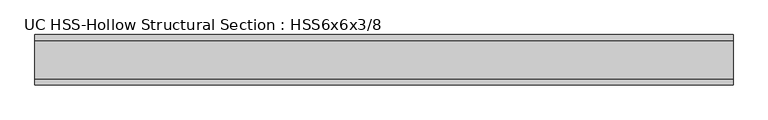
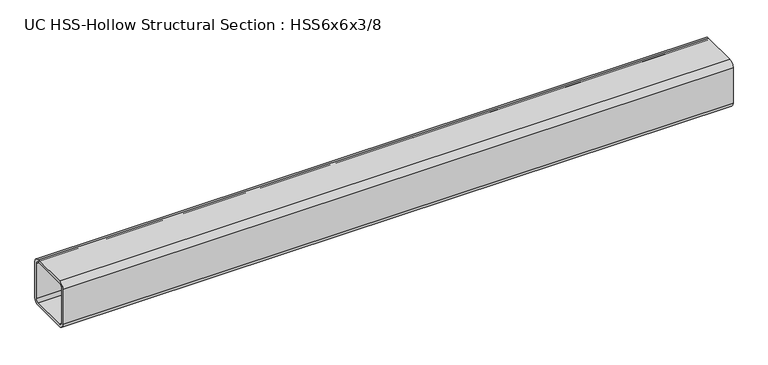
"""IFC4 building model written with IfcOpenShell, lengths in millimetres: beam geometry, UC HSS-Hollow Structural Section : HSS6x6x3/8."""

import ifcopenshell
import ifcopenshell.guid

model = None  # the IFC model being written
_history = None  # IfcOwnerHistory: only IFC2X3 demands one
_inside = {}  # id of a spatial element -> (the spatial element, [elements in it])
_under = {}  # id of a project, library or spatial element -> (it, [spatial elements below it])
_declared = {}  # id of a project -> (the project, [libraries it declares])
_typed = {}  # id of a type object -> (the type object, [elements of that type])
_made_of = {}  # id of a material, layer set ... -> (it, [elements and type objects made of it])


def new_model(schema):
    """Start an empty IFC model of exactly this schema.

    Asked for "IFC4X3", IfcOpenShell would pick the latest addendum, in which some entities
    have other attributes; the version numbers below select the first issue.
    IFC2X3 requires an IfcOwnerHistory on every rooted entity: one is made here for all.
    """
    global model, _history
    if schema == "IFC4X3":
        model = ifcopenshell.file(schema_version=(4, 3, 0, 0))
    else:
        model = ifcopenshell.file(schema=schema)
    _inside.clear()
    _under.clear()
    _declared.clear()
    _typed.clear()
    _made_of.clear()
    _history = None
    if model.schema == "IFC2X3":
        org = make("IfcOrganization", Name="unknown")
        user = make(
            "IfcPersonAndOrganization",
            ThePerson=make("IfcPerson", FamilyName="unknown"),
            TheOrganization=org,
        )
        app = make(
            "IfcApplication",
            ApplicationDeveloper=org,
            Version="unknown",
            ApplicationFullName="unknown",
            ApplicationIdentifier="unknown",
        )
        _history = make(
            "IfcOwnerHistory",
            OwningUser=user,
            OwningApplication=app,
            ChangeAction="ADDED",
            CreationDate=0,
        )
    return model


def make(cls, **values):
    """One entity of the class cls with the attributes given. An attribute that is None is left unset."""
    return model.create_entity(
        cls, **{name: value for name, value in values.items() if value is not None}
    )


def rooted(cls, **values):
    """An entity with a GlobalId (a new one), such as an element, a storey or a relation."""
    return make(cls, GlobalId=ifcopenshell.guid.new(), OwnerHistory=_history, **values)


def si_unit(unit_type, name, prefix=None):
    """IfcSIUnit, for example si_unit("LENGTHUNIT", "METRE", prefix="MILLI")."""
    return make("IfcSIUnit", UnitType=unit_type, Prefix=prefix, Name=name)


def assignment(units):
    """IfcUnitAssignment: the units of a project."""
    return None if units is None else make("IfcUnitAssignment", Units=units)


def point(xyz):
    """IfcCartesianPoint."""
    return None if xyz is None else make("IfcCartesianPoint", Coordinates=xyz)


def direction(xyz):
    """IfcDirection."""
    return None if xyz is None else make("IfcDirection", DirectionRatios=xyz)


def frame(location, z_axis=None, x_axis=None):
    """IfcAxis2Placement3D, a coordinate frame: its origin and axes. An axis left out is left unset."""
    return make(
        "IfcAxis2Placement3D",
        Location=point(location),
        Axis=direction(z_axis),
        RefDirection=direction(x_axis),
    )


def frame_2d(location, x_axis=None):
    """IfcAxis2Placement2D, a coordinate frame in the plane: its origin and x axis."""
    return make(
        "IfcAxis2Placement2D", Location=point(location), RefDirection=direction(x_axis)
    )


def origin():
    """The frame at (0, 0, 0) with its axes left unset."""
    return frame((0.0, 0.0, 0.0))


def place(relative_to, where):
    """IfcLocalPlacement: puts the frame where relative to a parent placement (None: the world)."""
    return make(
        "IfcLocalPlacement", PlacementRelTo=relative_to, RelativePlacement=where
    )


def context(
    kind, dimensions, precision=None, world=None, true_north=None, identifier=None
):
    """IfcGeometricRepresentationContext, for example the 3D "Model" context."""
    return make(
        "IfcGeometricRepresentationContext",
        ContextIdentifier=identifier,
        ContextType=kind,
        CoordinateSpaceDimension=dimensions,
        Precision=precision,
        WorldCoordinateSystem=world,
        TrueNorth=true_north,
    )


def project(units=None, contexts=None):
    """IfcProject with its units and contexts."""
    return rooted(
        "IfcProject",
        Name="project",
        RepresentationContexts=contexts,
        UnitsInContext=assignment(units),
    )


def spatial(cls, under=None, at=None, **own):
    """A site, building, storey or space (cls), placed at a placement, below another one or the project."""
    s = rooted(cls, ObjectPlacement=at, **own)
    if under is not None:
        _under.setdefault(under.id(), (under, []))[1].append(s)
    return s


def polyline(points):
    """IfcPolyline through the points."""
    return make("IfcPolyline", Points=[point(p) for p in points])


def circle_curve(where, radius):
    """IfcCircle in the frame where."""
    return make("IfcCircle", Position=where, Radius=radius)


def trimmed(basis, trim1, trim2, sense, master):
    """IfcTrimmedCurve: the piece of a basis curve between two trims."""
    return make(
        "IfcTrimmedCurve",
        BasisCurve=basis,
        Trim1=trim1,
        Trim2=trim2,
        SenseAgreement=sense,
        MasterRepresentation=master,
    )


def segment(curve, same_sense, transition):
    """IfcCompositeCurveSegment."""
    return make(
        "IfcCompositeCurveSegment",
        Transition=transition,
        SameSense=same_sense,
        ParentCurve=curve,
    )


def composite_curve(segments, self_intersect=None):
    """IfcCompositeCurve: segments joined end to end."""
    return make("IfcCompositeCurve", Segments=segments, SelfIntersect=self_intersect)


def outline(outer, holes=None, kind="AREA"):
    """IfcArbitraryClosedProfileDef: a profile drawn as a closed curve; with holes, ...WithVoids."""
    if holes is None:
        return make("IfcArbitraryClosedProfileDef", ProfileType=kind, OuterCurve=outer)
    return make(
        "IfcArbitraryProfileDefWithVoids",
        ProfileType=kind,
        OuterCurve=outer,
        InnerCurves=holes,
    )


def extrude(swept, where, along, depth):
    """IfcExtrudedAreaSolid: the profile swept, set in the frame where, extruded along a direction by depth."""
    return make(
        "IfcExtrudedAreaSolid",
        SweptArea=swept,
        Position=where,
        ExtrudedDirection=direction(along),
        Depth=depth,
    )


def shape(context_of_items, identifier, shape_type, items):
    """IfcShapeRepresentation: the items that make up one representation, for example the "Body"."""
    return make(
        "IfcShapeRepresentation",
        ContextOfItems=context_of_items,
        RepresentationIdentifier=identifier,
        RepresentationType=shape_type,
        Items=items,
    )


def source(mapping_origin, context_of_items, identifier, shape_type, items):
    """IfcRepresentationMap: a shape defined once, which mapped items show again and again."""
    return make(
        "IfcRepresentationMap",
        MappingOrigin=mapping_origin,
        MappedRepresentation=shape(context_of_items, identifier, shape_type, items),
    )


def transform(
    local_origin,
    x_axis=None,
    y_axis=None,
    z_axis=None,
    scale=None,
    scale2=None,
    scale3=None,
    uniform=True,
):
    """IfcCartesianTransformationOperator3D, or its non-uniform kind. x_axis, y_axis, z_axis: its Axis1, 2, 3."""
    if uniform:
        return make(
            "IfcCartesianTransformationOperator3D",
            Axis1=direction(x_axis),
            Axis2=direction(y_axis),
            LocalOrigin=point(local_origin),
            Scale=scale,
            Axis3=direction(z_axis),
        )
    return make(
        "IfcCartesianTransformationOperator3DnonUniform",
        Axis1=direction(x_axis),
        Axis2=direction(y_axis),
        LocalOrigin=point(local_origin),
        Scale=scale,
        Axis3=direction(z_axis),
        Scale2=scale2,
        Scale3=scale3,
    )


def mapped(mapping_source, mapping_target):
    """IfcMappedItem: shows the shape of a source again, moved by a transform."""
    return make(
        "IfcMappedItem", MappingSource=mapping_source, MappingTarget=mapping_target
    )


def made_of(thing, what):
    """Note that an element or type object is made of a material, layer set ...; save() writes the relation."""
    if what is not None:
        _made_of.setdefault(what.id(), (what, []))[1].append(thing)
    return thing


def element(
    cls,
    number,
    at=None,
    inside=None,
    cuts=None,
    type_object=None,
    material=None,
    context=None,
    identifier="Body",
    shape_type=None,
    held_by="IfcProductDefinitionShape",
    body=None,
    shapes=None,
    **own,
):
    """One element of the class cls, such as IfcWall. Its Tag is "e" and its number.

    at: its placement. inside: the storey or other place that contains it. cuts: it is an
    opening in that element (IfcRelVoidsElement). A single representation is given by context,
    identifier, shape_type and body (its items); several are given by shapes. held_by: the class
    of the entity that holds the representations. save() writes the other relations.
    """
    e = rooted(cls, Tag="e%d" % number, ObjectPlacement=at, **own)
    if body is not None:
        shapes = [shape(context, identifier, shape_type, body)]
    if shapes is not None:
        e.Representation = make(held_by, Representations=shapes)
    if inside is not None:
        _inside.setdefault(inside.id(), (inside, []))[1].append(e)
    if cuts is not None:
        rooted(
            "IfcRelVoidsElement", RelatingBuildingElement=cuts, RelatedOpeningElement=e
        )
    if type_object is not None:
        _typed.setdefault(type_object.id(), (type_object, []))[1].append(e)
    return made_of(e, material)


def aggregate(whole, parts):
    """IfcRelAggregates: a whole, such as a stair, and the parts it consists of."""
    return rooted("IfcRelAggregates", RelatingObject=whole, RelatedObjects=parts)


def save(model, path):
    """Write the relations noted so far, then the file.

    IfcRelAggregates (storeys below a building ...), IfcRelContainedInSpatialStructure (elements
    in a storey), IfcRelDefinesByType, IfcRelAssociatesMaterial and IfcRelDeclares: one each for
    every whole, place, type object, material and project.
    """
    for whole, parts in _under.values():
        aggregate(whole, parts)
    for where, things in _inside.values():
        rooted(
            "IfcRelContainedInSpatialStructure",
            RelatedElements=things,
            RelatingStructure=where,
        )
    for kind, things in _typed.values():
        rooted("IfcRelDefinesByType", RelatedObjects=things, RelatingType=kind)
    for what, things in _made_of.values():
        rooted("IfcRelAssociatesMaterial", RelatedObjects=things, RelatingMaterial=what)
    for by, libraries in _declared.values():
        rooted("IfcRelDeclares", RelatingContext=by, RelatedDefinitions=libraries)
    model.write(path)


def uc_hss_hollow_structural_section_hss6x6x3_8_0294f4e9(model_context):
    return source(origin(), model_context, "Body", "SweptSolid", [
        extrude(outline(composite_curve([segment(polyline([(76.2, 58.4708), (76.2, -58.4708)]), True, "CONTINUOUS"), segment(trimmed(circle_curve(frame_2d((58.4708, -58.4708)), 17.7292), [point((76.2, -58.4708))], [point((58.4708, -76.2))], False, "CARTESIAN"), True, "CONTINUOUS"), segment(polyline([(58.4708, -76.2), (-58.4708, -76.2)]), True, "CONTINUOUS"), segment(trimmed(circle_curve(frame_2d((-58.4708, -58.4708)), 17.7292), [point((-58.4708, -76.2))], [point((-76.2, -58.4708))], False, "CARTESIAN"), True, "CONTINUOUS"), segment(polyline([(-76.2, -58.4708), (-76.2, 58.4708)]), True, "CONTINUOUS"), segment(trimmed(circle_curve(frame_2d((-58.4708, 58.4708)), 17.7292), [point((-76.2, 58.4708))], [point((-58.4708, 76.2))], False, "CARTESIAN"), True, "CONTINUOUS"), segment(polyline([(-58.4708, 76.2), (58.4708, 76.2)]), True, "CONTINUOUS"), segment(trimmed(circle_curve(frame_2d((58.4708, 58.4708)), 17.7292), [point((58.4708, 76.2))], [point((76.2, 58.4708))], False, "CARTESIAN"), True, "CONTINUOUS")], self_intersect=False), holes=[composite_curve([segment(trimmed(circle_curve(frame_2d((-58.4708, 58.4708)), 8.8646), [point((-58.4708, 67.3354))], [point((-67.3354, 58.4708))], True, "CARTESIAN"), True, "CONTINUOUS"), segment(polyline([(-67.3354, 58.4708), (-67.3354, -58.4708)]), True, "CONTINUOUS"), segment(trimmed(circle_curve(frame_2d((-58.4708, -58.4708)), 8.8646), [point((-67.3354, -58.4708))], [point((-58.4708, -67.3354))], True, "CARTESIAN"), True, "CONTINUOUS"), segment(polyline([(-58.4708, -67.3354), (58.4708, -67.3354)]), True, "CONTINUOUS"), segment(trimmed(circle_curve(frame_2d((58.4708, -58.4708)), 8.8646), [point((58.4708, -67.3354))], [point((67.3354, -58.4708))], True, "CARTESIAN"), True, "CONTINUOUS"), segment(polyline([(67.3354, -58.4708), (67.3354, 58.4708)]), True, "CONTINUOUS"), segment(trimmed(circle_curve(frame_2d((58.4708, 58.4708)), 8.8646), [point((67.3354, 58.4708))], [point((58.4708, 67.3354))], True, "CARTESIAN"), True, "CONTINUOUS"), segment(polyline([(58.4708, 67.3354), (-58.4708, 67.3354)]), True, "CONTINUOUS")], self_intersect=False)]), frame((-1068.8384672, 0.0, 0.0), z_axis=(1.0, 0.0, 0.0), x_axis=(0.0, 1.0, 0.0)), (0.0, 0.0, 1.0), 2113.8770591),
    ])


if __name__ == "__main__":
    model = new_model("IFC4")
    model_context = context("Model", 3, world=origin())
    ifc_project = project(units=[si_unit("LENGTHUNIT", "METRE", prefix="MILLI")], contexts=[model_context])
    site = spatial("IfcSite", under=ifc_project)
    building = spatial("IfcBuilding", under=site)
    placement = place(None, origin())
    uc_hss_hollow_structural_section_hss6x6x3_8_shape = uc_hss_hollow_structural_section_hss6x6x3_8_0294f4e9(model_context)
    element("IfcBeam", 1, ObjectType="UC HSS-Hollow Structural Section : HSS6x6x3/8", at=placement, inside=building, context=model_context, shape_type="MappedRepresentation", body=[
        mapped(uc_hss_hollow_structural_section_hss6x6x3_8_shape, transform((0.0, 0.0, 0.0), x_axis=(1.0, 0.0, 0.0), y_axis=(0.0, 1.0, 0.0), z_axis=(0.0, 0.0, 1.0))),
    ])
    save(model, "model.ifc")
